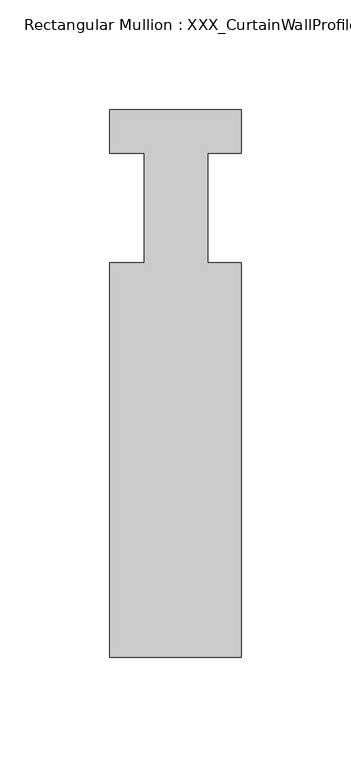
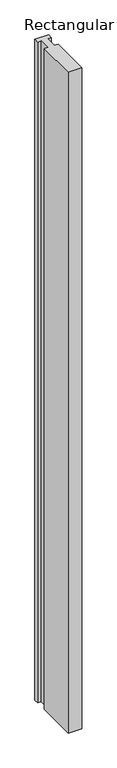
"""IFC4 building model written with IfcOpenShell, lengths in millimetres: member geometry, Rectangular Mullion : XXX_CurtainWallProfile_Ext_VerticalMullion-60x170mm."""

import ifcopenshell
import ifcopenshell.guid

model = None  # the IFC model being written
_history = None  # IfcOwnerHistory: only IFC2X3 demands one
_inside = {}  # id of a spatial element -> (the spatial element, [elements in it])
_under = {}  # id of a project, library or spatial element -> (it, [spatial elements below it])
_declared = {}  # id of a project -> (the project, [libraries it declares])
_typed = {}  # id of a type object -> (the type object, [elements of that type])
_made_of = {}  # id of a material, layer set ... -> (it, [elements and type objects made of it])


def new_model(schema):
    """Start an empty IFC model of exactly this schema.

    Asked for "IFC4X3", IfcOpenShell would pick the latest addendum, in which some entities
    have other attributes; the version numbers below select the first issue.
    IFC2X3 requires an IfcOwnerHistory on every rooted entity: one is made here for all.
    """
    global model, _history
    if schema == "IFC4X3":
        model = ifcopenshell.file(schema_version=(4, 3, 0, 0))
    else:
        model = ifcopenshell.file(schema=schema)
    _inside.clear()
    _under.clear()
    _declared.clear()
    _typed.clear()
    _made_of.clear()
    _history = None
    if model.schema == "IFC2X3":
        org = make("IfcOrganization", Name="unknown")
        user = make(
            "IfcPersonAndOrganization",
            ThePerson=make("IfcPerson", FamilyName="unknown"),
            TheOrganization=org,
        )
        app = make(
            "IfcApplication",
            ApplicationDeveloper=org,
            Version="unknown",
            ApplicationFullName="unknown",
            ApplicationIdentifier="unknown",
        )
        _history = make(
            "IfcOwnerHistory",
            OwningUser=user,
            OwningApplication=app,
            ChangeAction="ADDED",
            CreationDate=0,
        )
    return model


def make(cls, **values):
    """One entity of the class cls with the attributes given. An attribute that is None is left unset."""
    return model.create_entity(
        cls, **{name: value for name, value in values.items() if value is not None}
    )


def rooted(cls, **values):
    """An entity with a GlobalId (a new one), such as an element, a storey or a relation."""
    return make(cls, GlobalId=ifcopenshell.guid.new(), OwnerHistory=_history, **values)


def si_unit(unit_type, name, prefix=None):
    """IfcSIUnit, for example si_unit("LENGTHUNIT", "METRE", prefix="MILLI")."""
    return make("IfcSIUnit", UnitType=unit_type, Prefix=prefix, Name=name)


def assignment(units):
    """IfcUnitAssignment: the units of a project."""
    return None if units is None else make("IfcUnitAssignment", Units=units)


def point(xyz):
    """IfcCartesianPoint."""
    return None if xyz is None else make("IfcCartesianPoint", Coordinates=xyz)


def direction(xyz):
    """IfcDirection."""
    return None if xyz is None else make("IfcDirection", DirectionRatios=xyz)


def frame(location, z_axis=None, x_axis=None):
    """IfcAxis2Placement3D, a coordinate frame: its origin and axes. An axis left out is left unset."""
    return make(
        "IfcAxis2Placement3D",
        Location=point(location),
        Axis=direction(z_axis),
        RefDirection=direction(x_axis),
    )


def origin():
    """The frame at (0, 0, 0) with its axes left unset."""
    return frame((0.0, 0.0, 0.0))


def place(relative_to, where):
    """IfcLocalPlacement: puts the frame where relative to a parent placement (None: the world)."""
    return make(
        "IfcLocalPlacement", PlacementRelTo=relative_to, RelativePlacement=where
    )


def context(
    kind, dimensions, precision=None, world=None, true_north=None, identifier=None
):
    """IfcGeometricRepresentationContext, for example the 3D "Model" context."""
    return make(
        "IfcGeometricRepresentationContext",
        ContextIdentifier=identifier,
        ContextType=kind,
        CoordinateSpaceDimension=dimensions,
        Precision=precision,
        WorldCoordinateSystem=world,
        TrueNorth=true_north,
    )


def project(units=None, contexts=None):
    """IfcProject with its units and contexts."""
    return rooted(
        "IfcProject",
        Name="project",
        RepresentationContexts=contexts,
        UnitsInContext=assignment(units),
    )


def spatial(cls, under=None, at=None, **own):
    """A site, building, storey or space (cls), placed at a placement, below another one or the project."""
    s = rooted(cls, ObjectPlacement=at, **own)
    if under is not None:
        _under.setdefault(under.id(), (under, []))[1].append(s)
    return s


def polyline(points):
    """IfcPolyline through the points."""
    return make("IfcPolyline", Points=[point(p) for p in points])


def outline(outer, holes=None, kind="AREA"):
    """IfcArbitraryClosedProfileDef: a profile drawn as a closed curve; with holes, ...WithVoids."""
    if holes is None:
        return make("IfcArbitraryClosedProfileDef", ProfileType=kind, OuterCurve=outer)
    return make(
        "IfcArbitraryProfileDefWithVoids",
        ProfileType=kind,
        OuterCurve=outer,
        InnerCurves=holes,
    )


def extrude(swept, where, along, depth):
    """IfcExtrudedAreaSolid: the profile swept, set in the frame where, extruded along a direction by depth."""
    return make(
        "IfcExtrudedAreaSolid",
        SweptArea=swept,
        Position=where,
        ExtrudedDirection=direction(along),
        Depth=depth,
    )


def shape(context_of_items, identifier, shape_type, items):
    """IfcShapeRepresentation: the items that make up one representation, for example the "Body"."""
    return make(
        "IfcShapeRepresentation",
        ContextOfItems=context_of_items,
        RepresentationIdentifier=identifier,
        RepresentationType=shape_type,
        Items=items,
    )


def source(mapping_origin, context_of_items, identifier, shape_type, items):
    """IfcRepresentationMap: a shape defined once, which mapped items show again and again."""
    return make(
        "IfcRepresentationMap",
        MappingOrigin=mapping_origin,
        MappedRepresentation=shape(context_of_items, identifier, shape_type, items),
    )


def transform(
    local_origin,
    x_axis=None,
    y_axis=None,
    z_axis=None,
    scale=None,
    scale2=None,
    scale3=None,
    uniform=True,
):
    """IfcCartesianTransformationOperator3D, or its non-uniform kind. x_axis, y_axis, z_axis: its Axis1, 2, 3."""
    if uniform:
        return make(
            "IfcCartesianTransformationOperator3D",
            Axis1=direction(x_axis),
            Axis2=direction(y_axis),
            LocalOrigin=point(local_origin),
            Scale=scale,
            Axis3=direction(z_axis),
        )
    return make(
        "IfcCartesianTransformationOperator3DnonUniform",
        Axis1=direction(x_axis),
        Axis2=direction(y_axis),
        LocalOrigin=point(local_origin),
        Scale=scale,
        Axis3=direction(z_axis),
        Scale2=scale2,
        Scale3=scale3,
    )


def mapped(mapping_source, mapping_target):
    """IfcMappedItem: shows the shape of a source again, moved by a transform."""
    return make(
        "IfcMappedItem", MappingSource=mapping_source, MappingTarget=mapping_target
    )


def made_of(thing, what):
    """Note that an element or type object is made of a material, layer set ...; save() writes the relation."""
    if what is not None:
        _made_of.setdefault(what.id(), (what, []))[1].append(thing)
    return thing


def element(
    cls,
    number,
    at=None,
    inside=None,
    cuts=None,
    type_object=None,
    material=None,
    context=None,
    identifier="Body",
    shape_type=None,
    held_by="IfcProductDefinitionShape",
    body=None,
    shapes=None,
    **own,
):
    """One element of the class cls, such as IfcWall. Its Tag is "e" and its number.

    at: its placement. inside: the storey or other place that contains it. cuts: it is an
    opening in that element (IfcRelVoidsElement). A single representation is given by context,
    identifier, shape_type and body (its items); several are given by shapes. held_by: the class
    of the entity that holds the representations. save() writes the other relations.
    """
    e = rooted(cls, Tag="e%d" % number, ObjectPlacement=at, **own)
    if body is not None:
        shapes = [shape(context, identifier, shape_type, body)]
    if shapes is not None:
        e.Representation = make(held_by, Representations=shapes)
    if inside is not None:
        _inside.setdefault(inside.id(), (inside, []))[1].append(e)
    if cuts is not None:
        rooted(
            "IfcRelVoidsElement", RelatingBuildingElement=cuts, RelatedOpeningElement=e
        )
    if type_object is not None:
        _typed.setdefault(type_object.id(), (type_object, []))[1].append(e)
    return made_of(e, material)


def aggregate(whole, parts):
    """IfcRelAggregates: a whole, such as a stair, and the parts it consists of."""
    return rooted("IfcRelAggregates", RelatingObject=whole, RelatedObjects=parts)


def save(model, path):
    """Write the relations noted so far, then the file.

    IfcRelAggregates (storeys below a building ...), IfcRelContainedInSpatialStructure (elements
    in a storey), IfcRelDefinesByType, IfcRelAssociatesMaterial and IfcRelDeclares: one each for
    every whole, place, type object, material and project.
    """
    for whole, parts in _under.values():
        aggregate(whole, parts)
    for where, things in _inside.values():
        rooted(
            "IfcRelContainedInSpatialStructure",
            RelatedElements=things,
            RelatingStructure=where,
        )
    for kind, things in _typed.values():
        rooted("IfcRelDefinesByType", RelatedObjects=things, RelatingType=kind)
    for what, things in _made_of.values():
        rooted("IfcRelAssociatesMaterial", RelatedObjects=things, RelatingMaterial=what)
    for by, libraries in _declared.values():
        rooted("IfcRelDeclares", RelatingContext=by, RelatedDefinitions=libraries)
    model.write(path)


def rectangular_mullion_xxx_curtainwallprofile_ext_26ab678d(model_context):
    return source(origin(), model_context, "Body", "SweptSolid", [
        extrude(outline(polyline([(-59.9753368, 9.6099719), (0.0, 9.6099719), (0.0, -10.2206981), (-15.3127632, -10.2206981), (-15.3127632, -60.2206981), (0.0, -60.2206981), (0.0, -240.2206971), (-59.9753368, -240.2206971), (-59.9753368, -60.2206981), (-44.1629368, -60.2206981), (-44.1629368, -10.2206981), (-59.9753368, -10.2206981), (-59.9753368, 9.6099719)])), frame((0.0, 0.0, -3033.3333333), z_axis=(0.0, 0.0, 1.0), x_axis=(1.0, 0.0, 0.0)), (0.0, 0.0, 1.0), 3033.3333333),
    ])


if __name__ == "__main__":
    model = new_model("IFC4")
    model_context = context("Model", 3, world=origin())
    ifc_project = project(units=[si_unit("LENGTHUNIT", "METRE", prefix="MILLI")], contexts=[model_context])
    site = spatial("IfcSite", under=ifc_project)
    building = spatial("IfcBuilding", under=site)
    placement = place(None, origin())
    rectangular_mullion_xxx_curtainwallprofile_ext_shape = rectangular_mullion_xxx_curtainwallprofile_ext_26ab678d(model_context)
    element("IfcMember", 1, ObjectType="Rectangular Mullion : XXX_CurtainWallProfile_Ext_VerticalMullion-60x170mm", at=placement, inside=building, context=model_context, shape_type="MappedRepresentation", body=[
        mapped(rectangular_mullion_xxx_curtainwallprofile_ext_shape, transform((0.0, 0.0, 0.0), x_axis=(1.0, 0.0, 0.0), y_axis=(0.0, 1.0, 0.0), z_axis=(0.0, 0.0, 1.0))),
    ])
    save(model, "model.ifc")
